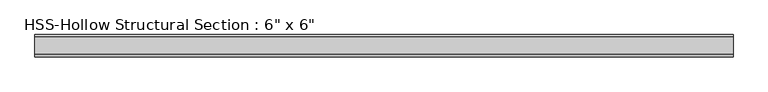
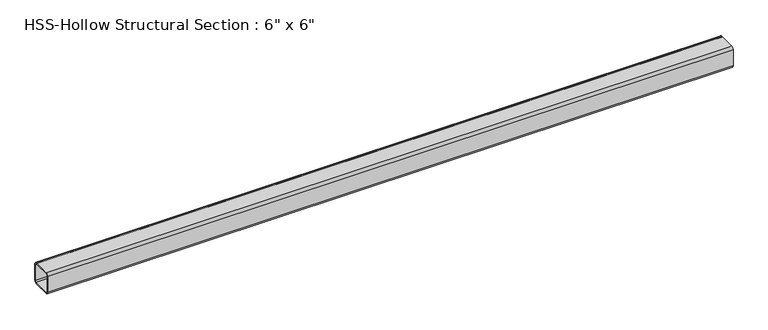
"""IFC4 building model written with IfcOpenShell, lengths in millimetres: beam geometry."""

from ifc_helpers import new_model, si_unit, point, frame, frame_2d, origin, place, context, project, spatial, polyline, circle_curve, trimmed, segment, composite_curve, outline, extrude, source, transform, mapped, element, save


def beam_4a2cca04(model_context):
    return source(origin(), model_context, "Body", "SweptSolid", [
        extrude(outline(composite_curve([segment(trimmed(circle_curve(frame_2d((-58.5390625, 58.5390625)), 17.6609375), [point((-76.2, 58.5390625))], [point((-58.5390625, 76.2))], False, "CARTESIAN"), True, "CONTINUOUS"), segment(polyline([(-58.5390625, 76.2), (58.5390625, 76.2)]), True, "CONTINUOUS"), segment(trimmed(circle_curve(frame_2d((58.5390625, 58.5390625)), 17.6609375), [point((58.5390625, 76.2))], [point((76.2, 58.5390625))], False, "CARTESIAN"), True, "CONTINUOUS"), segment(polyline([(76.2, 58.5390625), (76.2, -58.5390625)]), True, "CONTINUOUS"), segment(trimmed(circle_curve(frame_2d((58.5390625, -58.5390625)), 17.6609375), [point((76.2, -58.5390625))], [point((58.5390625, -76.2))], False, "CARTESIAN"), True, "CONTINUOUS"), segment(polyline([(58.5390625, -76.2), (-58.5390625, -76.2)]), True, "CONTINUOUS"), segment(trimmed(circle_curve(frame_2d((-58.5390625, -58.5390625)), 17.6609375), [point((-58.5390625, -76.2))], [point((-76.2, -58.5390625))], False, "CARTESIAN"), True, "CONTINUOUS"), segment(polyline([(-76.2, -58.5390625), (-76.2, 58.5390625)]), True, "CONTINUOUS")], self_intersect=False), holes=[composite_curve([segment(polyline([(58.5390625, 67.3695312), (-58.5390625, 67.3695312)]), True, "CONTINUOUS"), segment(trimmed(circle_curve(frame_2d((-58.5390625, 58.5390625)), 8.8304687), [point((-58.5390625, 67.3695312))], [point((-67.3695312, 58.5390625))], True, "CARTESIAN"), True, "CONTINUOUS"), segment(polyline([(-67.3695312, 58.5390625), (-67.3695312, -58.5390625)]), True, "CONTINUOUS"), segment(trimmed(circle_curve(frame_2d((-58.5390625, -58.5390625)), 8.8304687), [point((-67.3695312, -58.5390625))], [point((-58.5390625, -67.3695313))], True, "CARTESIAN"), True, "CONTINUOUS"), segment(polyline([(-58.5390625, -67.3695313), (58.5390625, -67.3695313)]), True, "CONTINUOUS"), segment(trimmed(circle_curve(frame_2d((58.5390625, -58.5390625)), 8.8304687), [point((58.5390625, -67.3695313))], [point((67.3695313, -58.5390625))], True, "CARTESIAN"), True, "CONTINUOUS"), segment(polyline([(67.3695313, -58.5390625), (67.3695313, 58.5390625)]), True, "CONTINUOUS"), segment(trimmed(circle_curve(frame_2d((58.5390625, 58.5390625)), 8.8304687), [point((67.3695313, 58.5390625))], [point((58.5390625, 67.3695312))], True, "CARTESIAN"), True, "CONTINUOUS")], self_intersect=False)]), frame((-2386.3737066, 0.0, 0.0), z_axis=(1.0, 0.0, 0.0), x_axis=(0.0, 1.0, 0.0)), (0.0, 0.0, 1.0), 4772.7474133),
    ])


if __name__ == "__main__":
    model = new_model("IFC4")
    model_context = context("Model", 3, world=origin())
    ifc_project = project(units=[si_unit("LENGTHUNIT", "METRE", prefix="MILLI")], contexts=[model_context])
    site = spatial("IfcSite", under=ifc_project)
    building = spatial("IfcBuilding", under=site)
    placement = place(None, origin())
    beam_shape = beam_4a2cca04(model_context)
    element("IfcBeam", 1, ObjectType="HSS-Hollow Structural Section : 6\" x 6\"", at=placement, inside=building, context=model_context, shape_type="MappedRepresentation", body=[
        mapped(beam_shape, transform((0.0, 0.0, 0.0), x_axis=(1.0, 0.0, 0.0), y_axis=(0.0, 1.0, 0.0), z_axis=(0.0, 0.0, 1.0))),
    ])
    save(model, "model.ifc")
